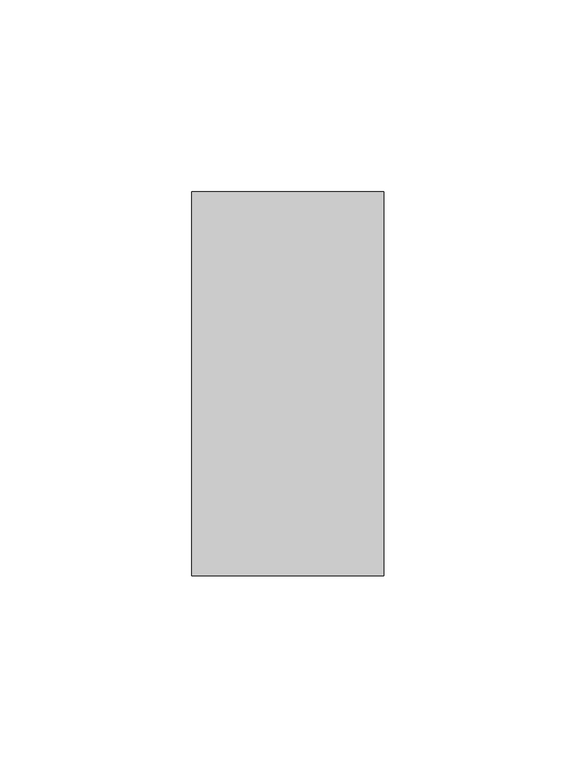
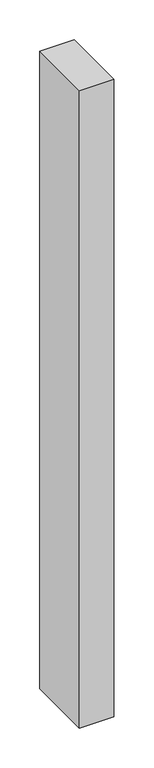
"""IFC4 building model written with IfcOpenShell, lengths in millimetres: member geometry."""

from ifc_helpers import new_model, si_unit, frame, origin, place, context, project, spatial, polyline, outline, extrude, source, transform, mapped, element, save


def member_ff9e3832(model_context):
    return source(origin(), model_context, "Body", "SweptSolid", [
        extrude(outline(polyline([(0.0, 50.0), (0.0, -50.0), (-50.0, -50.0), (-50.0, 50.0), (0.0, 50.0)])), frame((0.0, 0.0, -980.0), z_axis=(0.0, 0.0, 1.0), x_axis=(1.0, 0.0, 0.0)), (0.0, 0.0, 1.0), 980.0),
    ])


if __name__ == "__main__":
    model = new_model("IFC4")
    model_context = context("Model", 3, world=origin())
    ifc_project = project(units=[si_unit("LENGTHUNIT", "METRE", prefix="MILLI")], contexts=[model_context])
    site = spatial("IfcSite", under=ifc_project)
    building = spatial("IfcBuilding", under=site)
    placement = place(None, origin())
    member_shape = member_ff9e3832(model_context)
    element("IfcMember", 1, at=placement, inside=building, context=model_context, shape_type="MappedRepresentation", body=[
        mapped(member_shape, transform((0.0, 0.0, 0.0), x_axis=(1.0, 0.0, 0.0), y_axis=(0.0, 1.0, 0.0), z_axis=(0.0, 0.0, 1.0))),
    ])
    save(model, "model.ifc")
